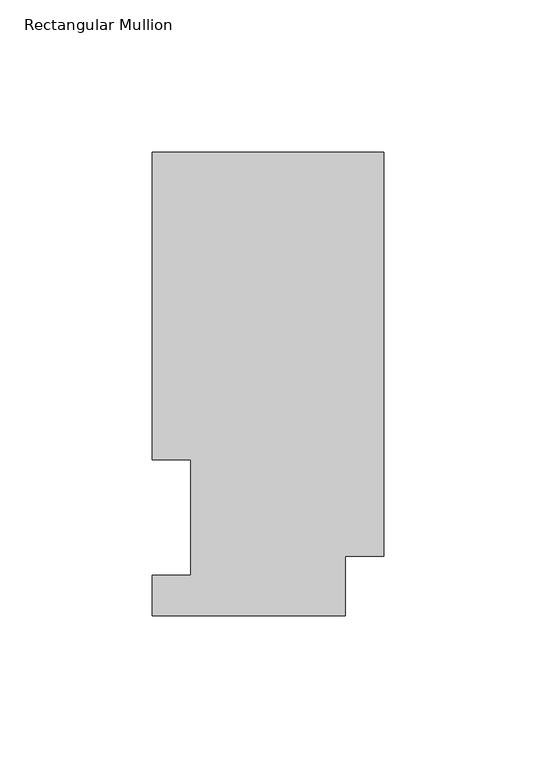
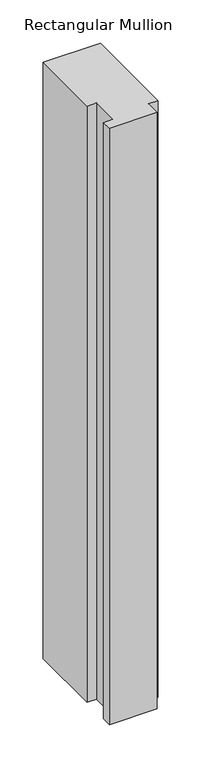
"""IFC4 building model written with IfcOpenShell, lengths in millimetres: member geometry, Rectangular Mullion."""

from ifc_helpers import new_model, si_unit, frame, origin, place, context, project, spatial, polyline, outline, extrude, source, transform, mapped, element, save


def rectangular_mullion_f3e319f5(model_context):
    return source(origin(), model_context, "Body", "SweptSolid", [
        extrude(outline(polyline([(-76.2, 152.4896937), (0.0, 152.4896937), (0.0, 19.5460937), (-12.7, 19.5460937), (-12.7, 0.0134938), (-76.2, 0.0134938), (-76.2, 13.1960938), (-63.5, 13.1960938), (-63.5, 51.2960937), (-76.2, 51.2960938), (-76.2, 152.4896937)])), frame((0.0, 0.0, -838.1999996), z_axis=(0.0, 0.0, 1.0), x_axis=(1.0, 0.0, 0.0)), (0.0, 0.0, 1.0), 838.1999996),
    ])


if __name__ == "__main__":
    model = new_model("IFC4")
    model_context = context("Model", 3, world=origin())
    ifc_project = project(units=[si_unit("LENGTHUNIT", "METRE", prefix="MILLI")], contexts=[model_context])
    site = spatial("IfcSite", under=ifc_project)
    building = spatial("IfcBuilding", under=site)
    placement = place(None, origin())
    rectangular_mullion_shape = rectangular_mullion_f3e319f5(model_context)
    element("IfcMember", 1, ObjectType="Rectangular Mullion", at=placement, inside=building, context=model_context, shape_type="MappedRepresentation", body=[
        mapped(rectangular_mullion_shape, transform((0.0, 0.0, 0.0), x_axis=(1.0, 0.0, 0.0), y_axis=(0.0, 1.0, 0.0), z_axis=(0.0, 0.0, 1.0))),
    ])
    save(model, "model.ifc")
